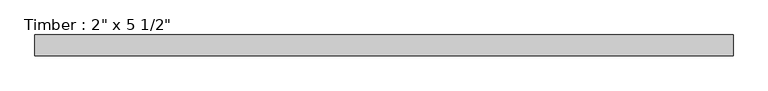
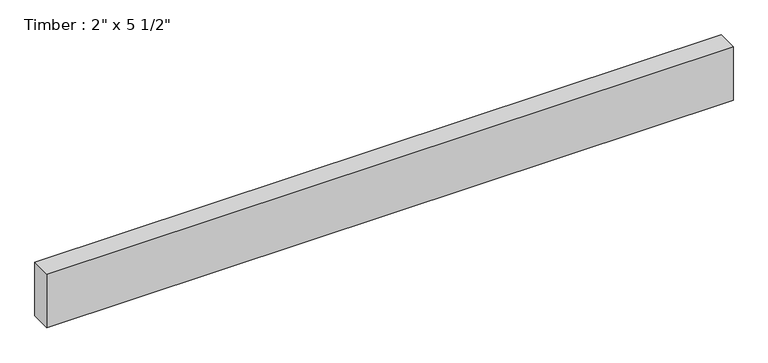
"""IFC4 building model written with IfcOpenShell, lengths in millimetres: beam geometry."""

from ifc_helpers import new_model, si_unit, frame, origin, place, context, project, spatial, polyline, outline, extrude, source, transform, mapped, element, save


def beam_7c96fb5b(model_context):
    return source(origin(), model_context, "Body", "SweptSolid", [
        extrude(outline(polyline([(844.5862708, 25.4), (844.5862708, -25.4), (-844.5862708, -25.4), (-844.5862708, 25.4), (844.5862708, 25.4)])), frame((0.0, 0.0, -69.85), z_axis=(0.0, 0.0, 1.0), x_axis=(1.0, 0.0, 0.0)), (0.0, 0.0, 1.0), 139.7),
    ])


if __name__ == "__main__":
    model = new_model("IFC4")
    model_context = context("Model", 3, world=origin())
    ifc_project = project(units=[si_unit("LENGTHUNIT", "METRE", prefix="MILLI")], contexts=[model_context])
    site = spatial("IfcSite", under=ifc_project)
    building = spatial("IfcBuilding", under=site)
    placement = place(None, origin())
    beam_shape = beam_7c96fb5b(model_context)
    element("IfcBeam", 1, ObjectType="Timber : 2\" x 5 1/2\"", at=placement, inside=building, context=model_context, shape_type="MappedRepresentation", body=[
        mapped(beam_shape, transform((0.0, 0.0, 0.0), x_axis=(1.0, 0.0, 0.0), y_axis=(0.0, 1.0, 0.0), z_axis=(0.0, 0.0, 1.0))),
    ])
    save(model, "model.ifc")
